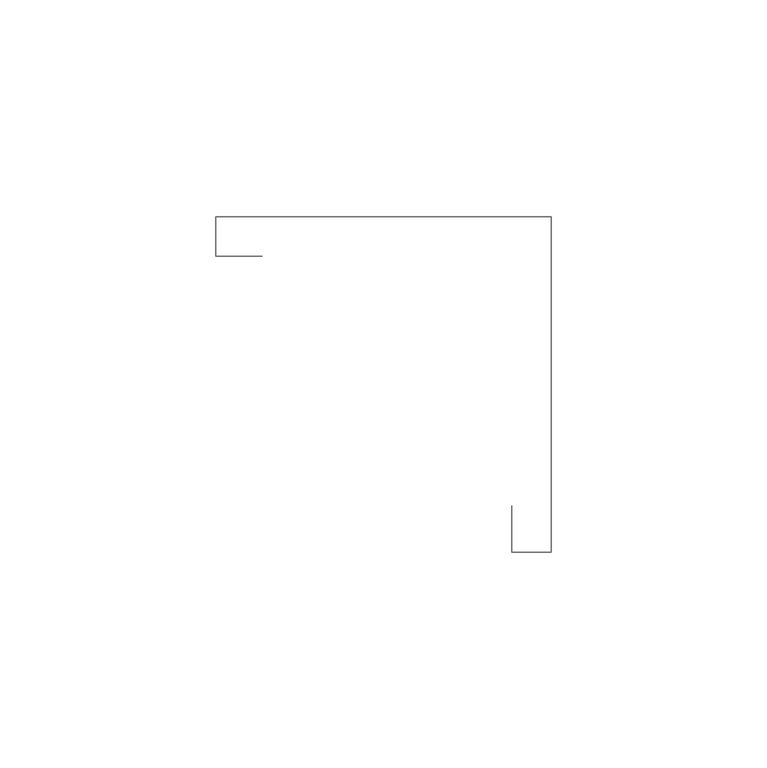
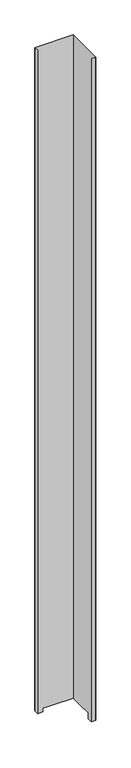
"""IFC4 building model written with IfcOpenShell, lengths in millimetres: furniture geometry."""

from ifc_helpers import new_model, si_unit, origin, place, context, project, spatial, triangles, source, transform, mapped, element, save


def furniture_6c798d5f(model_context):
    return source(origin(), model_context, "Body", "Tessellation", [
        triangles([(11.1759996, -9.1185999, 1429.7025581), (0.381, -9.1185999, 1429.7025581), (0.381, -9.1185999, 14.2875), (11.1759996, -9.1185999, 14.2875), (0.381, 0.0, 14.2875), (0.381, 0.0, 1429.7025581), (78.2319981, 0.0, 1429.7025581), (78.2319981, 0.0, 14.2875), (69.1134004, -77.8509984, 1429.7025581), (69.1134004, -67.0559996, 1429.7025581), (69.1134004, -67.0559996, 14.2875), (69.1134004, -77.8509984, 14.2875), (78.2319981, -77.8509984, 1429.7025581), (78.2319981, -77.8509984, 14.2875)], [[1, 2, 3], [1, 3, 4], [5, 6, 7], [5, 7, 8], [3, 2, 6], [3, 6, 5], [9, 10, 11], [9, 11, 12], [8, 7, 13], [8, 13, 14], [12, 14, 13], [12, 13, 9]], closed=False),
    ])


if __name__ == "__main__":
    model = new_model("IFC4")
    model_context = context("Model", 3, world=origin())
    ifc_project = project(units=[si_unit("LENGTHUNIT", "METRE", prefix="MILLI")], contexts=[model_context])
    site = spatial("IfcSite", under=ifc_project)
    building = spatial("IfcBuilding", under=site)
    placement = place(None, origin())
    furniture_shape = furniture_6c798d5f(model_context)
    element("IfcFurniture", 1, at=placement, inside=building, context=model_context, shape_type="MappedRepresentation", body=[
        mapped(furniture_shape, transform((0.0, 0.0, 0.0), x_axis=(1.0, 0.0, 0.0), y_axis=(0.0, 1.0, 0.0), z_axis=(0.0, 0.0, 1.0))),
    ])
    save(model, "model.ifc")
